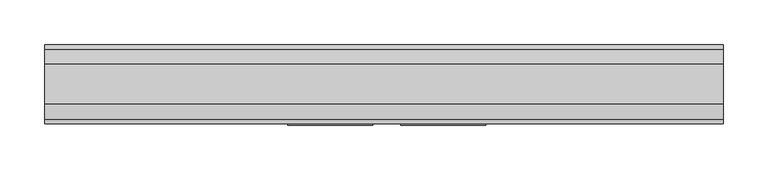
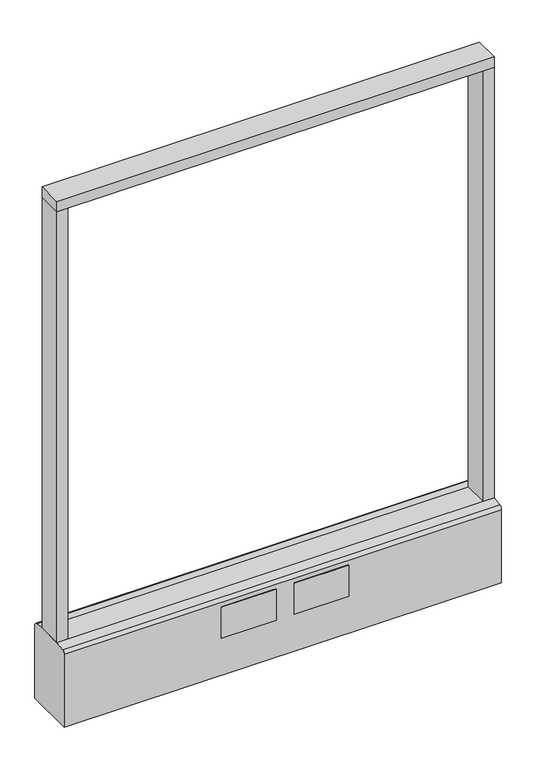
"""IFC4 building model written with IfcOpenShell, lengths in millimetres: furniture geometry."""

import ifcopenshell
import ifcopenshell.guid

model = None  # the IFC model being written
_history = None  # IfcOwnerHistory: only IFC2X3 demands one
_inside = {}  # id of a spatial element -> (the spatial element, [elements in it])
_under = {}  # id of a project, library or spatial element -> (it, [spatial elements below it])
_declared = {}  # id of a project -> (the project, [libraries it declares])
_typed = {}  # id of a type object -> (the type object, [elements of that type])
_made_of = {}  # id of a material, layer set ... -> (it, [elements and type objects made of it])


def new_model(schema):
    """Start an empty IFC model of exactly this schema.

    Asked for "IFC4X3", IfcOpenShell would pick the latest addendum, in which some entities
    have other attributes; the version numbers below select the first issue.
    IFC2X3 requires an IfcOwnerHistory on every rooted entity: one is made here for all.
    """
    global model, _history
    if schema == "IFC4X3":
        model = ifcopenshell.file(schema_version=(4, 3, 0, 0))
    else:
        model = ifcopenshell.file(schema=schema)
    _inside.clear()
    _under.clear()
    _declared.clear()
    _typed.clear()
    _made_of.clear()
    _history = None
    if model.schema == "IFC2X3":
        org = make("IfcOrganization", Name="unknown")
        user = make(
            "IfcPersonAndOrganization",
            ThePerson=make("IfcPerson", FamilyName="unknown"),
            TheOrganization=org,
        )
        app = make(
            "IfcApplication",
            ApplicationDeveloper=org,
            Version="unknown",
            ApplicationFullName="unknown",
            ApplicationIdentifier="unknown",
        )
        _history = make(
            "IfcOwnerHistory",
            OwningUser=user,
            OwningApplication=app,
            ChangeAction="ADDED",
            CreationDate=0,
        )
    return model


def make(cls, **values):
    """One entity of the class cls with the attributes given. An attribute that is None is left unset."""
    return model.create_entity(
        cls, **{name: value for name, value in values.items() if value is not None}
    )


def rooted(cls, **values):
    """An entity with a GlobalId (a new one), such as an element, a storey or a relation."""
    return make(cls, GlobalId=ifcopenshell.guid.new(), OwnerHistory=_history, **values)


def si_unit(unit_type, name, prefix=None):
    """IfcSIUnit, for example si_unit("LENGTHUNIT", "METRE", prefix="MILLI")."""
    return make("IfcSIUnit", UnitType=unit_type, Prefix=prefix, Name=name)


def assignment(units):
    """IfcUnitAssignment: the units of a project."""
    return None if units is None else make("IfcUnitAssignment", Units=units)


def point(xyz):
    """IfcCartesianPoint."""
    return None if xyz is None else make("IfcCartesianPoint", Coordinates=xyz)


def direction(xyz):
    """IfcDirection."""
    return None if xyz is None else make("IfcDirection", DirectionRatios=xyz)


def frame(location, z_axis=None, x_axis=None):
    """IfcAxis2Placement3D, a coordinate frame: its origin and axes. An axis left out is left unset."""
    return make(
        "IfcAxis2Placement3D",
        Location=point(location),
        Axis=direction(z_axis),
        RefDirection=direction(x_axis),
    )


def frame_2d(location, x_axis=None):
    """IfcAxis2Placement2D, a coordinate frame in the plane: its origin and x axis."""
    return make(
        "IfcAxis2Placement2D", Location=point(location), RefDirection=direction(x_axis)
    )


def origin():
    """The frame at (0, 0, 0) with its axes left unset."""
    return frame((0.0, 0.0, 0.0))


def origin_with_axes():
    """The frame at (0, 0, 0) with the z axis (0, 0, 1) and the x axis (1, 0, 0) written out."""
    return frame((0.0, 0.0, 0.0), z_axis=(0.0, 0.0, 1.0), x_axis=(1.0, 0.0, 0.0))


def place(relative_to, where):
    """IfcLocalPlacement: puts the frame where relative to a parent placement (None: the world)."""
    return make(
        "IfcLocalPlacement", PlacementRelTo=relative_to, RelativePlacement=where
    )


def context(
    kind, dimensions, precision=None, world=None, true_north=None, identifier=None
):
    """IfcGeometricRepresentationContext, for example the 3D "Model" context."""
    return make(
        "IfcGeometricRepresentationContext",
        ContextIdentifier=identifier,
        ContextType=kind,
        CoordinateSpaceDimension=dimensions,
        Precision=precision,
        WorldCoordinateSystem=world,
        TrueNorth=true_north,
    )


def project(units=None, contexts=None):
    """IfcProject with its units and contexts."""
    return rooted(
        "IfcProject",
        Name="project",
        RepresentationContexts=contexts,
        UnitsInContext=assignment(units),
    )


def spatial(cls, under=None, at=None, **own):
    """A site, building, storey or space (cls), placed at a placement, below another one or the project."""
    s = rooted(cls, ObjectPlacement=at, **own)
    if under is not None:
        _under.setdefault(under.id(), (under, []))[1].append(s)
    return s


def polyline(points):
    """IfcPolyline through the points."""
    return make("IfcPolyline", Points=[point(p) for p in points])


def circle_curve(where, radius):
    """IfcCircle in the frame where."""
    return make("IfcCircle", Position=where, Radius=radius)


def trimmed(basis, trim1, trim2, sense, master):
    """IfcTrimmedCurve: the piece of a basis curve between two trims."""
    return make(
        "IfcTrimmedCurve",
        BasisCurve=basis,
        Trim1=trim1,
        Trim2=trim2,
        SenseAgreement=sense,
        MasterRepresentation=master,
    )


def segment(curve, same_sense, transition):
    """IfcCompositeCurveSegment."""
    return make(
        "IfcCompositeCurveSegment",
        Transition=transition,
        SameSense=same_sense,
        ParentCurve=curve,
    )


def composite_curve(segments, self_intersect=None):
    """IfcCompositeCurve: segments joined end to end."""
    return make("IfcCompositeCurve", Segments=segments, SelfIntersect=self_intersect)


def outline(outer, holes=None, kind="AREA"):
    """IfcArbitraryClosedProfileDef: a profile drawn as a closed curve; with holes, ...WithVoids."""
    if holes is None:
        return make("IfcArbitraryClosedProfileDef", ProfileType=kind, OuterCurve=outer)
    return make(
        "IfcArbitraryProfileDefWithVoids",
        ProfileType=kind,
        OuterCurve=outer,
        InnerCurves=holes,
    )


def extrude(swept, where, along, depth):
    """IfcExtrudedAreaSolid: the profile swept, set in the frame where, extruded along a direction by depth."""
    return make(
        "IfcExtrudedAreaSolid",
        SweptArea=swept,
        Position=where,
        ExtrudedDirection=direction(along),
        Depth=depth,
    )


def shape(context_of_items, identifier, shape_type, items):
    """IfcShapeRepresentation: the items that make up one representation, for example the "Body"."""
    return make(
        "IfcShapeRepresentation",
        ContextOfItems=context_of_items,
        RepresentationIdentifier=identifier,
        RepresentationType=shape_type,
        Items=items,
    )


def source(mapping_origin, context_of_items, identifier, shape_type, items):
    """IfcRepresentationMap: a shape defined once, which mapped items show again and again."""
    return make(
        "IfcRepresentationMap",
        MappingOrigin=mapping_origin,
        MappedRepresentation=shape(context_of_items, identifier, shape_type, items),
    )


def transform(
    local_origin,
    x_axis=None,
    y_axis=None,
    z_axis=None,
    scale=None,
    scale2=None,
    scale3=None,
    uniform=True,
):
    """IfcCartesianTransformationOperator3D, or its non-uniform kind. x_axis, y_axis, z_axis: its Axis1, 2, 3."""
    if uniform:
        return make(
            "IfcCartesianTransformationOperator3D",
            Axis1=direction(x_axis),
            Axis2=direction(y_axis),
            LocalOrigin=point(local_origin),
            Scale=scale,
            Axis3=direction(z_axis),
        )
    return make(
        "IfcCartesianTransformationOperator3DnonUniform",
        Axis1=direction(x_axis),
        Axis2=direction(y_axis),
        LocalOrigin=point(local_origin),
        Scale=scale,
        Axis3=direction(z_axis),
        Scale2=scale2,
        Scale3=scale3,
    )


def mapped(mapping_source, mapping_target):
    """IfcMappedItem: shows the shape of a source again, moved by a transform."""
    return make(
        "IfcMappedItem", MappingSource=mapping_source, MappingTarget=mapping_target
    )


def made_of(thing, what):
    """Note that an element or type object is made of a material, layer set ...; save() writes the relation."""
    if what is not None:
        _made_of.setdefault(what.id(), (what, []))[1].append(thing)
    return thing


def element(
    cls,
    number,
    at=None,
    inside=None,
    cuts=None,
    type_object=None,
    material=None,
    context=None,
    identifier="Body",
    shape_type=None,
    held_by="IfcProductDefinitionShape",
    body=None,
    shapes=None,
    **own,
):
    """One element of the class cls, such as IfcWall. Its Tag is "e" and its number.

    at: its placement. inside: the storey or other place that contains it. cuts: it is an
    opening in that element (IfcRelVoidsElement). A single representation is given by context,
    identifier, shape_type and body (its items); several are given by shapes. held_by: the class
    of the entity that holds the representations. save() writes the other relations.
    """
    e = rooted(cls, Tag="e%d" % number, ObjectPlacement=at, **own)
    if body is not None:
        shapes = [shape(context, identifier, shape_type, body)]
    if shapes is not None:
        e.Representation = make(held_by, Representations=shapes)
    if inside is not None:
        _inside.setdefault(inside.id(), (inside, []))[1].append(e)
    if cuts is not None:
        rooted(
            "IfcRelVoidsElement", RelatingBuildingElement=cuts, RelatedOpeningElement=e
        )
    if type_object is not None:
        _typed.setdefault(type_object.id(), (type_object, []))[1].append(e)
    return made_of(e, material)


def aggregate(whole, parts):
    """IfcRelAggregates: a whole, such as a stair, and the parts it consists of."""
    return rooted("IfcRelAggregates", RelatingObject=whole, RelatedObjects=parts)


def save(model, path):
    """Write the relations noted so far, then the file.

    IfcRelAggregates (storeys below a building ...), IfcRelContainedInSpatialStructure (elements
    in a storey), IfcRelDefinesByType, IfcRelAssociatesMaterial and IfcRelDeclares: one each for
    every whole, place, type object, material and project.
    """
    for whole, parts in _under.values():
        aggregate(whole, parts)
    for where, things in _inside.values():
        rooted(
            "IfcRelContainedInSpatialStructure",
            RelatedElements=things,
            RelatingStructure=where,
        )
    for kind, things in _typed.values():
        rooted("IfcRelDefinesByType", RelatedObjects=things, RelatingType=kind)
    for what, things in _made_of.values():
        rooted("IfcRelAssociatesMaterial", RelatedObjects=things, RelatingMaterial=what)
    for by, libraries in _declared.values():
        rooted("IfcRelDeclares", RelatingContext=by, RelatedDefinitions=libraries)
    model.write(path)


def furniture_bb47e685(model_context):
    return source(origin(), model_context, "Body", "SweptSolid", [
        extrude(outline(polyline([(381.0, -22.225), (-381.0, -22.225), (-381.0, 22.225), (381.0, 22.225), (381.0, -22.225)])), frame((0.0, 0.0, 946.15), z_axis=(0.0, 0.0, 1.0), x_axis=(1.0, 0.0, 0.0)), (0.0, 0.0, 1.0), 19.05),
        extrude(outline(composite_curve([segment(trimmed(circle_curve(frame_2d((-304.8, 0.0)), 23.415625), [point((-328.215625, 0.0))], [point((-281.384375, 0.0))], False, "CARTESIAN"), True, "CONTINUOUS"), segment(trimmed(circle_curve(frame_2d((-304.8, 0.0)), 23.415625), [point((-281.384375, 0.0))], [point((-328.215625, 0.0))], False, "CARTESIAN"), True, "CONTINUOUS")], self_intersect=False)), origin_with_axes(), (0.0, 0.0, 1.0), 6.35),
        extrude(outline(composite_curve([segment(trimmed(circle_curve(frame_2d((304.8, 0.0)), 23.415625), [point((281.384375, 0.0))], [point((328.215625, 0.0))], False, "CARTESIAN"), True, "CONTINUOUS"), segment(trimmed(circle_curve(frame_2d((304.8, 0.0)), 23.415625), [point((328.215625, 0.0))], [point((281.384375, 0.0))], False, "CARTESIAN"), True, "CONTINUOUS")], self_intersect=False)), origin_with_axes(), (0.0, 0.0, 1.0), 6.35),
        extrude(outline(polyline([(-361.9500091, -22.225), (-381.0, -22.225), (-381.0, 22.225), (-361.9500091, 22.225), (-361.9500091, -22.225)])), frame((0.0, 0.0, 152.4), z_axis=(0.0, 0.0, 1.0), x_axis=(1.0, 0.0, 0.0)), (0.0, 0.0, 1.0), 793.75),
        extrude(outline(polyline([(381.0, -22.225), (361.9500091, -22.225), (361.9500091, 22.225), (381.0, 22.225), (381.0, -22.225)])), frame((0.0, 0.0, 152.4), z_axis=(0.0, 0.0, 1.0), x_axis=(1.0, 0.0, 0.0)), (0.0, 0.0, 1.0), 793.75),
        extrude(outline(composite_curve([segment(polyline([(-22.225, 152.4), (22.225, 152.4), (39.43219, 149.94183)]), True, "CONTINUOUS"), segment(trimmed(circle_curve(frame_2d((38.605678, 144.1562464)), 5.844322), [point((39.43219, 149.94183))], [point((44.45, 144.1562464))], False, "CARTESIAN"), True, "CONTINUOUS"), segment(polyline([(44.45, 144.1562464), (44.45, 9.525), (-44.4433083, 9.525), (-44.4433083, 144.1572033)]), True, "CONTINUOUS"), segment(trimmed(circle_curve(frame_2d((-38.5989863, 144.1572033)), 5.844322), [point((-44.4433083, 144.1572033))], [point((-39.4222979, 149.9432432))], False, "CARTESIAN"), True, "CONTINUOUS"), segment(polyline([(-39.4222979, 149.9432432), (-22.225, 152.4)]), True, "CONTINUOUS")], self_intersect=False)), frame((-381.0, 0.0, 0.0), z_axis=(1.0, 0.0, 0.0), x_axis=(0.0, 1.0, 0.0)), (0.0, 0.0, 1.0), 762.0),
        extrude(outline(polyline([(114.3, -46.0375), (19.05, -46.0375), (19.05, -44.45), (114.3, -44.45), (114.3, -46.0375)])), frame((0.0, 0.0, 79.1718), z_axis=(0.0, 0.0, 1.0), x_axis=(1.0, 0.0, 0.0)), (0.0, 0.0, 1.0), 57.15),
        extrude(outline(polyline([(-12.7, -46.0375), (-107.95, -46.0375), (-107.95, -44.45), (-12.7, -44.45), (-12.7, -46.0375)])), frame((0.0, 0.0, 79.1718), z_axis=(0.0, 0.0, 1.0), x_axis=(1.0, 0.0, 0.0)), (0.0, 0.0, 1.0), 57.15),
        extrude(outline(composite_curve([segment(trimmed(circle_curve(frame_2d((-304.8, 0.0)), 5.55625), [point((-310.35625, 0.0))], [point((-299.24375, 0.0))], False, "CARTESIAN"), True, "CONTINUOUS"), segment(trimmed(circle_curve(frame_2d((-304.8, 0.0)), 5.55625), [point((-299.24375, 0.0))], [point((-310.35625, 0.0))], False, "CARTESIAN"), True, "CONTINUOUS")], self_intersect=False)), frame((0.0, 0.0, 6.35), z_axis=(0.0, 0.0, 1.0), x_axis=(1.0, 0.0, 0.0)), (0.0, 0.0, 1.0), 3.175),
        extrude(outline(composite_curve([segment(trimmed(circle_curve(frame_2d((304.8, 0.0)), 5.55625), [point((299.24375, 0.0))], [point((310.35625, 0.0))], False, "CARTESIAN"), True, "CONTINUOUS"), segment(trimmed(circle_curve(frame_2d((304.8, 0.0)), 5.55625), [point((310.35625, 0.0))], [point((299.24375, 0.0))], False, "CARTESIAN"), True, "CONTINUOUS")], self_intersect=False)), frame((0.0, 0.0, 6.35), z_axis=(0.0, 0.0, 1.0), x_axis=(1.0, 0.0, 0.0)), (0.0, 0.0, 1.0), 3.175),
    ])


if __name__ == "__main__":
    model = new_model("IFC4")
    model_context = context("Model", 3, world=origin())
    ifc_project = project(units=[si_unit("LENGTHUNIT", "METRE", prefix="MILLI")], contexts=[model_context])
    site = spatial("IfcSite", under=ifc_project)
    building = spatial("IfcBuilding", under=site)
    placement = place(None, origin())
    furniture_shape = furniture_bb47e685(model_context)
    element("IfcFurniture", 1, at=placement, inside=building, context=model_context, shape_type="MappedRepresentation", body=[
        mapped(furniture_shape, transform((0.0, 0.0, 0.0), x_axis=(1.0, 0.0, 0.0), y_axis=(0.0, 1.0, 0.0), z_axis=(0.0, 0.0, 1.0))),
    ])
    save(model, "model.ifc")
